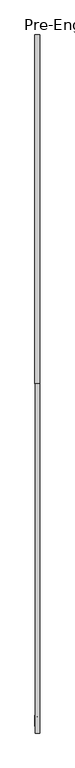
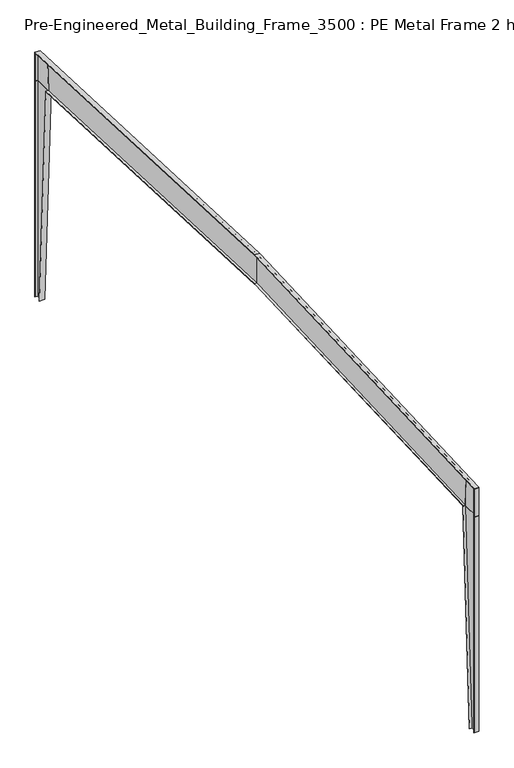
"""IFC4 building model written with IfcOpenShell, lengths in millimetres: proxy geometry, Pre-Engineered_Metal_Building_Frame_3500 : PE Metal Frame 2 hanger frame 2."""

import ifcopenshell
import ifcopenshell.guid

model = None  # the IFC model being written
_history = None  # IfcOwnerHistory: only IFC2X3 demands one
_inside = {}  # id of a spatial element -> (the spatial element, [elements in it])
_under = {}  # id of a project, library or spatial element -> (it, [spatial elements below it])
_declared = {}  # id of a project -> (the project, [libraries it declares])
_typed = {}  # id of a type object -> (the type object, [elements of that type])
_made_of = {}  # id of a material, layer set ... -> (it, [elements and type objects made of it])


def new_model(schema):
    """Start an empty IFC model of exactly this schema.

    Asked for "IFC4X3", IfcOpenShell would pick the latest addendum, in which some entities
    have other attributes; the version numbers below select the first issue.
    IFC2X3 requires an IfcOwnerHistory on every rooted entity: one is made here for all.
    """
    global model, _history
    if schema == "IFC4X3":
        model = ifcopenshell.file(schema_version=(4, 3, 0, 0))
    else:
        model = ifcopenshell.file(schema=schema)
    _inside.clear()
    _under.clear()
    _declared.clear()
    _typed.clear()
    _made_of.clear()
    _history = None
    if model.schema == "IFC2X3":
        org = make("IfcOrganization", Name="unknown")
        user = make(
            "IfcPersonAndOrganization",
            ThePerson=make("IfcPerson", FamilyName="unknown"),
            TheOrganization=org,
        )
        app = make(
            "IfcApplication",
            ApplicationDeveloper=org,
            Version="unknown",
            ApplicationFullName="unknown",
            ApplicationIdentifier="unknown",
        )
        _history = make(
            "IfcOwnerHistory",
            OwningUser=user,
            OwningApplication=app,
            ChangeAction="ADDED",
            CreationDate=0,
        )
    return model


def make(cls, **values):
    """One entity of the class cls with the attributes given. An attribute that is None is left unset."""
    return model.create_entity(
        cls, **{name: value for name, value in values.items() if value is not None}
    )


def rooted(cls, **values):
    """An entity with a GlobalId (a new one), such as an element, a storey or a relation."""
    return make(cls, GlobalId=ifcopenshell.guid.new(), OwnerHistory=_history, **values)


def si_unit(unit_type, name, prefix=None):
    """IfcSIUnit, for example si_unit("LENGTHUNIT", "METRE", prefix="MILLI")."""
    return make("IfcSIUnit", UnitType=unit_type, Prefix=prefix, Name=name)


def assignment(units):
    """IfcUnitAssignment: the units of a project."""
    return None if units is None else make("IfcUnitAssignment", Units=units)


def point(xyz):
    """IfcCartesianPoint."""
    return None if xyz is None else make("IfcCartesianPoint", Coordinates=xyz)


def direction(xyz):
    """IfcDirection."""
    return None if xyz is None else make("IfcDirection", DirectionRatios=xyz)


def frame(location, z_axis=None, x_axis=None):
    """IfcAxis2Placement3D, a coordinate frame: its origin and axes. An axis left out is left unset."""
    return make(
        "IfcAxis2Placement3D",
        Location=point(location),
        Axis=direction(z_axis),
        RefDirection=direction(x_axis),
    )


def origin():
    """The frame at (0, 0, 0) with its axes left unset."""
    return frame((0.0, 0.0, 0.0))


def origin_with_axes():
    """The frame at (0, 0, 0) with the z axis (0, 0, 1) and the x axis (1, 0, 0) written out."""
    return frame((0.0, 0.0, 0.0), z_axis=(0.0, 0.0, 1.0), x_axis=(1.0, 0.0, 0.0))


def place(relative_to, where):
    """IfcLocalPlacement: puts the frame where relative to a parent placement (None: the world)."""
    return make(
        "IfcLocalPlacement", PlacementRelTo=relative_to, RelativePlacement=where
    )


def context(
    kind, dimensions, precision=None, world=None, true_north=None, identifier=None
):
    """IfcGeometricRepresentationContext, for example the 3D "Model" context."""
    return make(
        "IfcGeometricRepresentationContext",
        ContextIdentifier=identifier,
        ContextType=kind,
        CoordinateSpaceDimension=dimensions,
        Precision=precision,
        WorldCoordinateSystem=world,
        TrueNorth=true_north,
    )


def project(units=None, contexts=None):
    """IfcProject with its units and contexts."""
    return rooted(
        "IfcProject",
        Name="project",
        RepresentationContexts=contexts,
        UnitsInContext=assignment(units),
    )


def spatial(cls, under=None, at=None, **own):
    """A site, building, storey or space (cls), placed at a placement, below another one or the project."""
    s = rooted(cls, ObjectPlacement=at, **own)
    if under is not None:
        _under.setdefault(under.id(), (under, []))[1].append(s)
    return s


def polyline(points):
    """IfcPolyline through the points."""
    return make("IfcPolyline", Points=[point(p) for p in points])


def outline(outer, holes=None, kind="AREA"):
    """IfcArbitraryClosedProfileDef: a profile drawn as a closed curve; with holes, ...WithVoids."""
    if holes is None:
        return make("IfcArbitraryClosedProfileDef", ProfileType=kind, OuterCurve=outer)
    return make(
        "IfcArbitraryProfileDefWithVoids",
        ProfileType=kind,
        OuterCurve=outer,
        InnerCurves=holes,
    )


def extrude(swept, where, along, depth):
    """IfcExtrudedAreaSolid: the profile swept, set in the frame where, extruded along a direction by depth."""
    return make(
        "IfcExtrudedAreaSolid",
        SweptArea=swept,
        Position=where,
        ExtrudedDirection=direction(along),
        Depth=depth,
    )


def shape(context_of_items, identifier, shape_type, items):
    """IfcShapeRepresentation: the items that make up one representation, for example the "Body"."""
    return make(
        "IfcShapeRepresentation",
        ContextOfItems=context_of_items,
        RepresentationIdentifier=identifier,
        RepresentationType=shape_type,
        Items=items,
    )


def source(mapping_origin, context_of_items, identifier, shape_type, items):
    """IfcRepresentationMap: a shape defined once, which mapped items show again and again."""
    return make(
        "IfcRepresentationMap",
        MappingOrigin=mapping_origin,
        MappedRepresentation=shape(context_of_items, identifier, shape_type, items),
    )


def transform(
    local_origin,
    x_axis=None,
    y_axis=None,
    z_axis=None,
    scale=None,
    scale2=None,
    scale3=None,
    uniform=True,
):
    """IfcCartesianTransformationOperator3D, or its non-uniform kind. x_axis, y_axis, z_axis: its Axis1, 2, 3."""
    if uniform:
        return make(
            "IfcCartesianTransformationOperator3D",
            Axis1=direction(x_axis),
            Axis2=direction(y_axis),
            LocalOrigin=point(local_origin),
            Scale=scale,
            Axis3=direction(z_axis),
        )
    return make(
        "IfcCartesianTransformationOperator3DnonUniform",
        Axis1=direction(x_axis),
        Axis2=direction(y_axis),
        LocalOrigin=point(local_origin),
        Scale=scale,
        Axis3=direction(z_axis),
        Scale2=scale2,
        Scale3=scale3,
    )


def mapped(mapping_source, mapping_target):
    """IfcMappedItem: shows the shape of a source again, moved by a transform."""
    return make(
        "IfcMappedItem", MappingSource=mapping_source, MappingTarget=mapping_target
    )


def made_of(thing, what):
    """Note that an element or type object is made of a material, layer set ...; save() writes the relation."""
    if what is not None:
        _made_of.setdefault(what.id(), (what, []))[1].append(thing)
    return thing


def element(
    cls,
    number,
    at=None,
    inside=None,
    cuts=None,
    type_object=None,
    material=None,
    context=None,
    identifier="Body",
    shape_type=None,
    held_by="IfcProductDefinitionShape",
    body=None,
    shapes=None,
    **own,
):
    """One element of the class cls, such as IfcWall. Its Tag is "e" and its number.

    at: its placement. inside: the storey or other place that contains it. cuts: it is an
    opening in that element (IfcRelVoidsElement). A single representation is given by context,
    identifier, shape_type and body (its items); several are given by shapes. held_by: the class
    of the entity that holds the representations. save() writes the other relations.
    """
    e = rooted(cls, Tag="e%d" % number, ObjectPlacement=at, **own)
    if body is not None:
        shapes = [shape(context, identifier, shape_type, body)]
    if shapes is not None:
        e.Representation = make(held_by, Representations=shapes)
    if inside is not None:
        _inside.setdefault(inside.id(), (inside, []))[1].append(e)
    if cuts is not None:
        rooted(
            "IfcRelVoidsElement", RelatingBuildingElement=cuts, RelatedOpeningElement=e
        )
    if type_object is not None:
        _typed.setdefault(type_object.id(), (type_object, []))[1].append(e)
    return made_of(e, material)


def aggregate(whole, parts):
    """IfcRelAggregates: a whole, such as a stair, and the parts it consists of."""
    return rooted("IfcRelAggregates", RelatingObject=whole, RelatedObjects=parts)


def save(model, path):
    """Write the relations noted so far, then the file.

    IfcRelAggregates (storeys below a building ...), IfcRelContainedInSpatialStructure (elements
    in a storey), IfcRelDefinesByType, IfcRelAssociatesMaterial and IfcRelDeclares: one each for
    every whole, place, type object, material and project.
    """
    for whole, parts in _under.values():
        aggregate(whole, parts)
    for where, things in _inside.values():
        rooted(
            "IfcRelContainedInSpatialStructure",
            RelatedElements=things,
            RelatingStructure=where,
        )
    for kind, things in _typed.values():
        rooted("IfcRelDefinesByType", RelatedObjects=things, RelatingType=kind)
    for what, things in _made_of.values():
        rooted("IfcRelAssociatesMaterial", RelatedObjects=things, RelatingMaterial=what)
    for by, libraries in _declared.values():
        rooted("IfcRelDeclares", RelatingContext=by, RelatedDefinitions=libraries)
    model.write(path)


def pre_engineered_metal_building_frame_3500_pe_metal_frame_2_8db19d18(model_context):
    return source(origin(), model_context, "Body", "SweptSolid", [
        extrude(outline(polyline([(-49974.5508097, 0.0), (-49974.5508097, 15000.0), (-48767.3508097, 15000.0), (-49517.3508097, 0.0), (-49974.5508097, 0.0)])), frame((-3.95, 0.0, 0.0), z_axis=(1.0, 0.0, 0.0), x_axis=(0.0, 1.0, 0.0)), (0.0, 0.0, 1.0), 7.9),
        extrude(outline(polyline([(-48741.9508097, 15000.0), (-49491.9508097, 0.0), (-49517.3825399, 0.0), (-48767.3825399, 15000.0), (-48741.9508097, 15000.0)])), frame((-178.0, 0.0, 0.0), z_axis=(1.0, 0.0, 0.0), x_axis=(0.0, 1.0, 0.0)), (0.0, 0.0, 1.0), 356.0),
        extrude(outline(polyline([(-49999.9508097, 16946.9799041), (-49974.5508097, 16948.0888921), (-49974.5508097, 15000.0), (-49999.9508097, 15000.0), (-49999.9508097, 16946.9799041)])), frame((-152.4, 0.0, 0.0), z_axis=(1.0, 0.0, 0.0), x_axis=(0.0, 1.0, 0.0)), (0.0, 0.0, 1.0), 304.8),
        extrude(outline(polyline([(-49974.5508097, 15000.0), (-49974.5508097, 16948.0888921), (-48829.1895844, 16998.0964432), (-48741.9508097, 15000.0), (-49974.5508097, 15000.0)])), frame((-3.96875, 0.0, 0.0), z_axis=(1.0, 0.0, 0.0), x_axis=(0.0, 1.0, 0.0)), (0.0, 0.0, 1.0), 7.9375),
        extrude(outline(polyline([(-24999.9508097, 18038.5034769), (-49999.9508097, 16946.9799041), (-49999.9508097, 16973.1615971), (-24999.9508097, 18064.6851698), (-24999.9508097, 18038.5034769)])), frame((-152.4, 0.0, 0.0), z_axis=(1.0, 0.0, 0.0), x_axis=(0.0, 1.0, 0.0)), (0.0, 0.0, 1.0), 304.8),
        extrude(outline(polyline([(-49999.9508097, 16946.9799041), (-49974.5508097, 16948.0888921), (-49974.5508097, 15000.0), (-49999.9508097, 15000.0), (-49999.9508097, 16946.9799041)])), frame((-152.4, 0.0, 0.0), z_axis=(1.0, 0.0, 0.0), x_axis=(0.0, 1.0, 0.0)), (0.0, 0.0, 1.0), 304.8),
        extrude(outline(polyline([(-24999.9508097, 16036.5981065), (-48741.9508097, 15000.0), (-48829.1895844, 16998.0964432), (-24999.9508097, 18038.5034769), (-24999.9508097, 16036.5981065)])), frame((-3.96875, 0.0, 0.0), z_axis=(1.0, 0.0, 0.0), x_axis=(0.0, 1.0, 0.0)), (0.0, 0.0, 1.0), 7.9375),
        extrude(outline(polyline([(-24999.9508097, 16036.5981065), (-48741.9508097, 15000.0), (-48767.3508097, 15000.0), (-48767.3508097, 15023.9148292), (-24999.9508097, 16061.6219237), (-24999.9508097, 16036.5981065)])), frame((-152.4, 0.0, 0.0), z_axis=(1.0, 0.0, 0.0), x_axis=(0.0, 1.0, 0.0)), (0.0, 0.0, 1.0), 304.8),
        extrude(outline(polyline([(0.0, -25.4), (0.0, 0.0), (304.8, 0.0), (304.8, -25.4), (0.0, -25.4)])), frame((152.4, -49999.9508097, 0.0), z_axis=(0.0, 1.3301360013454783e-11, 1.0), x_axis=(-1.0, 0.0, 0.0)), (0.0, 0.0, 1.0), 15000.0),
        extrude(outline(polyline([(-25.3508097, 15000.0), (-1257.9508097, 15000.0), (-1170.712035, 16998.0964432), (-25.3508097, 16948.0888921), (-25.3508097, 15000.0)])), frame((-3.96875, 0.0, 0.0), z_axis=(1.0, 0.0, 0.0), x_axis=(0.0, 1.0, 0.0)), (0.0, 0.0, 1.0), 7.9375),
        extrude(outline(polyline([(-25.3508097, 0.0), (-482.5190795, 0.0), (-1232.5190795, 15000.0), (-25.3508097, 15000.0), (-25.3508097, 0.0)])), frame((-3.96875, 0.0, 0.0), z_axis=(1.0, 0.0, 0.0), x_axis=(0.0, 1.0, 0.0)), (0.0, 0.0, 1.0), 7.9375),
        extrude(outline(polyline([(-24999.9508097, 18038.5034769), (-24999.9508097, 18064.6851698), (0.0491903, 16973.1615971), (0.0491903, 16946.9799041), (-24999.9508097, 18038.5034769)])), frame((-178.0, 0.0, 0.0), z_axis=(1.0, 0.0, 0.0), x_axis=(0.0, 1.0, 0.0)), (0.0, 0.0, 1.0), 356.0),
        extrude(outline(polyline([(0.0491903, 16946.9799041), (0.0491903, 15000.0), (-25.3508097, 15000.0), (-25.3508097, 16948.0888921), (0.0491903, 16946.9799041)])), frame((-178.0, 0.0, 0.0), z_axis=(1.0, 0.0, 0.0), x_axis=(0.0, 1.0, 0.0)), (0.0, 0.0, 1.0), 356.0),
        extrude(outline(polyline([(-24999.9508097, 16036.5981065), (-24999.9508097, 18038.5034769), (-1170.712035, 16998.0964432), (-1257.9508097, 15000.0), (-24999.9508097, 16036.5981065)])), frame((-3.95, 0.0, 0.0), z_axis=(1.0, 0.0, 0.0), x_axis=(0.0, 1.0, 0.0)), (0.0, 0.0, 1.0), 7.9),
        extrude(outline(polyline([(-24999.9508097, 16036.5981065), (-24999.9508097, 16061.6219237), (-1232.5508097, 15023.9148292), (-1232.5508097, 15000.0), (-1257.9508097, 15000.0), (-24999.9508097, 16036.5981065)])), frame((-178.0, 0.0, 0.0), z_axis=(1.0, 0.0, 0.0), x_axis=(0.0, 1.0, 0.0)), (0.0, 0.0, 1.0), 356.0),
        extrude(outline(polyline([(-1257.9508097, 15000.0), (-1232.5190795, 15000.0), (-482.5190795, 0.0), (-507.9508097, 0.0), (-1257.9508097, 15000.0)])), frame((-178.0, 0.0, 0.0), z_axis=(1.0, 0.0, 0.0), x_axis=(0.0, 1.0, 0.0)), (0.0, 0.0, 1.0), 356.0),
        extrude(outline(polyline([(178.0, 0.0491903), (178.0, -25.3508097), (-178.0, -25.3508097), (-178.0, 0.0491903), (178.0, 0.0491903)])), origin_with_axes(), (0.0, 0.0, 1.0), 15000.0),
    ])


if __name__ == "__main__":
    model = new_model("IFC4")
    model_context = context("Model", 3, world=origin())
    ifc_project = project(units=[si_unit("LENGTHUNIT", "METRE", prefix="MILLI")], contexts=[model_context])
    site = spatial("IfcSite", under=ifc_project)
    building = spatial("IfcBuilding", under=site)
    placement = place(None, origin())
    pre_engineered_metal_building_frame_3500_pe_metal_frame_2_shape = pre_engineered_metal_building_frame_3500_pe_metal_frame_2_8db19d18(model_context)
    element("IfcBuildingElementProxy", 1, Name="Pre-Engineered_Metal_Building_Frame_3500 : PE Metal Frame 2 hanger frame 2", ObjectType="Pre-Engineered_Metal_Building_Frame_3500 : PE Metal Frame 2 hanger frame 2", at=placement, inside=building, context=model_context, shape_type="MappedRepresentation", body=[
        mapped(pre_engineered_metal_building_frame_3500_pe_metal_frame_2_shape, transform((0.0, 0.0, 0.0), x_axis=(1.0, 0.0, 0.0), y_axis=(0.0, 1.0, 0.0), z_axis=(0.0, 0.0, 1.0))),
    ])
    save(model, "model.ifc")
